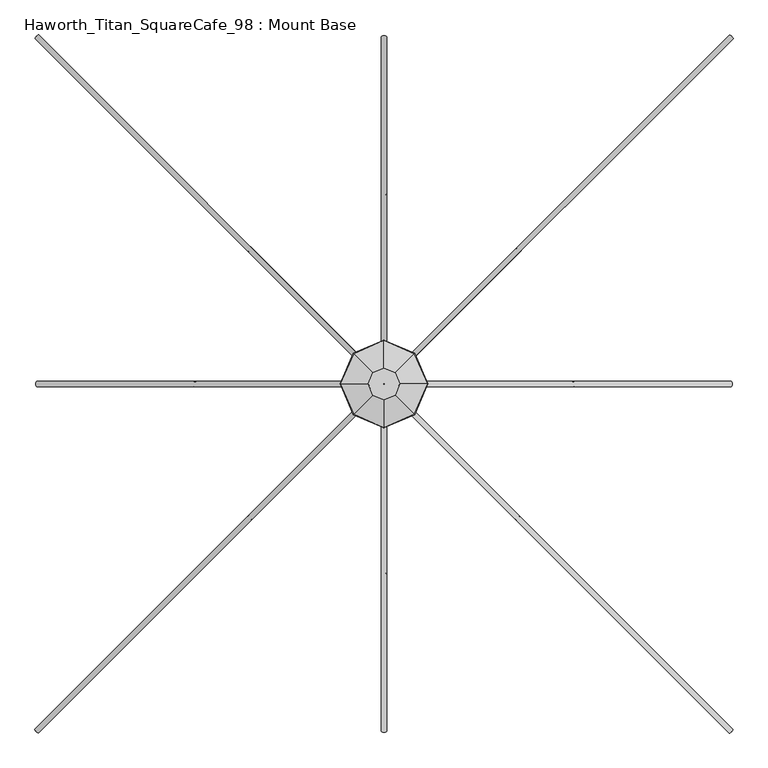
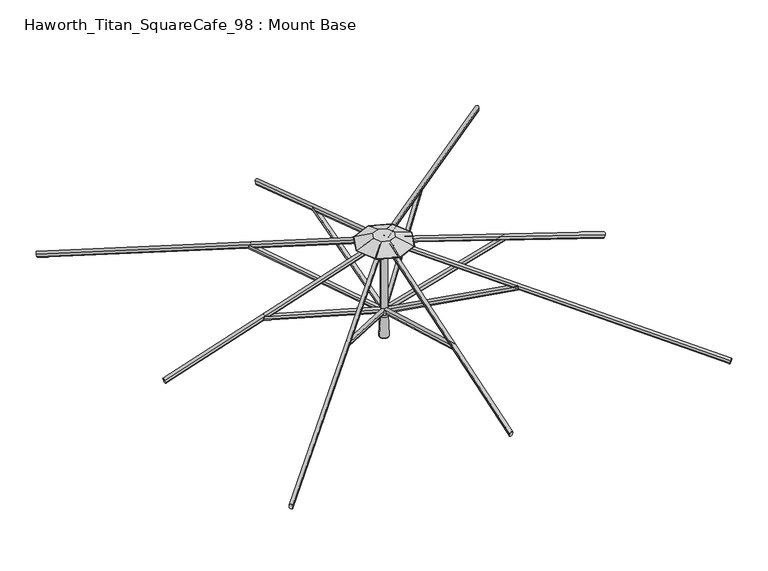
"""IFC4 building model written with IfcOpenShell, lengths in millimetres: furniture geometry, Haworth_Titan_SquareCafe_98 : Mount Base."""

from ifc_helpers import new_model, si_unit, point, frame, frame_2d, origin, place, context, project, spatial, polyline, circle_curve, ellipse_curve, trimmed, segment, composite_curve, outline, extrude, source, transform, mapped, element, save
from ifc_brep_helpers import plane_surface, cylinder_surface, revolved_surface, advanced_brep


def haworth_titan_squarecafe_98_mount_base_0a665b4c(model_context):
    return source(origin(), model_context, "Body", "SolidModel", [
        extrude(outline(composite_curve([segment(polyline([(12.9834408, -8.4804821), (12.9834408, -22.8946349)]), True, "CONTINUOUS"), segment(trimmed(circle_curve(frame_2d((4.0299408, -22.8946349)), 8.9535), [point((12.9834408, -22.8946349))], [point((-4.9235592, -22.8946349))], False, "CARTESIAN"), True, "CONTINUOUS"), segment(polyline([(-4.9235592, -22.8946349), (-4.9235592, -8.4804821)]), True, "CONTINUOUS"), segment(trimmed(circle_curve(frame_2d((4.0299408, -8.4804821)), 8.9535), [point((-4.9235592, -8.4804821))], [point((12.9834408, -8.4804821))], False, "CARTESIAN"), True, "CONTINUOUS")], self_intersect=False)), frame((4.0299408, -32.8443862, 2016.9430412), z_axis=(0.0, -0.9618942046764378, 0.2734219066020191), x_axis=(-1.0, 0.0, 0.0)), (0.0, 0.0, 1.0), 673.1),
        extrude(outline(composite_curve([segment(polyline([(12.9834408, -8.4804821), (12.9834408, -22.8946349)]), True, "CONTINUOUS"), segment(trimmed(circle_curve(frame_2d((4.0299408, -22.8946349)), 8.9535), [point((12.9834408, -22.8946349))], [point((-4.9235592, -22.8946349))], False, "CARTESIAN"), True, "CONTINUOUS"), segment(polyline([(-4.9235592, -22.8946349), (-4.9235592, -8.4804821)]), True, "CONTINUOUS"), segment(trimmed(circle_curve(frame_2d((4.0299408, -8.4804821)), 8.9535), [point((-4.9235592, -8.4804821))], [point((12.9834408, -8.4804821))], False, "CARTESIAN"), True, "CONTINUOUS")], self_intersect=False)), frame((-28.8144454, -8.0598816, 2016.9430412), z_axis=(-0.9618942046764378, 0.0, 0.2734219066020191), x_axis=(0.0, 1.0, 0.0)), (0.0, 0.0, 1.0), 673.1),
        extrude(outline(composite_curve([segment(polyline([(12.9834408, -8.4804821), (12.9834408, -22.8946349)]), True, "CONTINUOUS"), segment(trimmed(circle_curve(frame_2d((4.0299408, -22.8946349)), 8.9535), [point((12.9834408, -22.8946349))], [point((-4.9235592, -22.8946349))], False, "CARTESIAN"), True, "CONTINUOUS"), segment(polyline([(-4.9235592, -22.8946349), (-4.9235592, -8.4804821)]), True, "CONTINUOUS"), segment(trimmed(circle_curve(frame_2d((4.0299408, -8.4804821)), 8.9535), [point((-4.9235592, -8.4804821))], [point((12.9834408, -8.4804821))], False, "CARTESIAN"), True, "CONTINUOUS")], self_intersect=False)), frame((-4.0299408, 24.7845046, 2016.9430412), z_axis=(0.0, 0.9618942046764378, 0.2734219066020191), x_axis=(1.0, 0.0, 0.0)), (0.0, 0.0, 1.0), 673.1),
        extrude(outline(composite_curve([segment(trimmed(circle_curve(frame_2d((4.0299408, 7.3267917)), 8.9535), [point((12.9834408, 7.3267917))], [point((-4.9235592, 7.3267917))], False, "CARTESIAN"), True, "CONTINUOUS"), segment(polyline([(-4.9235592, 7.3267917), (-4.9235592, 21.7411303)]), True, "CONTINUOUS"), segment(trimmed(circle_curve(frame_2d((4.0299408, 21.7411303)), 8.9535), [point((-4.9235592, 21.7411303))], [point((12.9834408, 21.7411303))], False, "CARTESIAN"), True, "CONTINUOUS"), segment(polyline([(12.9834408, 21.7411303), (12.9834408, 7.3267917)]), True, "CONTINUOUS")], self_intersect=False)), frame((4.0299408, -1221.9652781, 2021.9166491), z_axis=(0.0, 0.9498609859621477, 0.31267252413190505), x_axis=(-1.0, 0.0, 0.0)), (0.0, 0.0, 1.0), 1244.6),
        extrude(outline(composite_curve([segment(trimmed(circle_curve(frame_2d((4.0299408, 7.3267917)), 8.9535), [point((12.9834408, 7.3267917))], [point((-4.9235592, 7.3267917))], False, "CARTESIAN"), True, "CONTINUOUS"), segment(polyline([(-4.9235592, 7.3267917), (-4.9235592, 21.7411303)]), True, "CONTINUOUS"), segment(trimmed(circle_curve(frame_2d((4.0299408, 21.7411303)), 8.9535), [point((-4.9235592, 21.7411303))], [point((12.9834408, 21.7411303))], False, "CARTESIAN"), True, "CONTINUOUS"), segment(polyline([(12.9834408, 21.7411303), (12.9834408, 7.3267917)]), True, "CONTINUOUS")], self_intersect=False)), frame((-1217.9353374, -8.0598816, 2021.9166491), z_axis=(0.9498609859621477, 0.0, 0.31267252413190505), x_axis=(0.0, 1.0, 0.0)), (0.0, 0.0, 1.0), 1244.6),
        extrude(outline(composite_curve([segment(trimmed(circle_curve(frame_2d((4.0299408, 7.3267917)), 8.9535), [point((12.9834408, 7.3267917))], [point((-4.9235592, 7.3267917))], False, "CARTESIAN"), True, "CONTINUOUS"), segment(polyline([(-4.9235592, 7.3267917), (-4.9235592, 21.7411303)]), True, "CONTINUOUS"), segment(trimmed(circle_curve(frame_2d((4.0299408, 21.7411303)), 8.9535), [point((-4.9235592, 21.7411303))], [point((12.9834408, 21.7411303))], False, "CARTESIAN"), True, "CONTINUOUS"), segment(polyline([(12.9834408, 21.7411303), (12.9834408, 7.3267917)]), True, "CONTINUOUS")], self_intersect=False)), frame((-4.0299408, 1213.9053966, 2021.9166491), z_axis=(0.0, -0.9498609859621477, 0.31267252413190505), x_axis=(1.0, 0.0, 0.0)), (0.0, 0.0, 1.0), 1244.6),
        extrude(outline(composite_curve([segment(trimmed(circle_curve(frame_2d((4.0299408, 7.3267917)), 8.9535), [point((12.9834408, 7.3267917))], [point((-4.9235592, 7.3267917))], False, "CARTESIAN"), True, "CONTINUOUS"), segment(polyline([(-4.9235592, 7.3267917), (-4.9235592, 21.7411303)]), True, "CONTINUOUS"), segment(trimmed(circle_curve(frame_2d((4.0299408, 21.7411303)), 8.9535), [point((-4.9235592, 21.7411303))], [point((12.9834408, 21.7411303))], False, "CARTESIAN"), True, "CONTINUOUS"), segment(polyline([(12.9834408, 21.7411303), (12.9834408, 7.3267917)]), True, "CONTINUOUS")], self_intersect=False)), frame((1217.9353374, 0.0, 2021.9166491), z_axis=(-0.9498609859621477, 0.0, 0.31267252413190505), x_axis=(0.0, -1.0, 0.0)), (0.0, 0.0, 1.0), 1244.6),
        extrude(outline(composite_curve([segment(polyline([(12.9834408, -8.4804821), (12.9834408, -22.8946349)]), True, "CONTINUOUS"), segment(trimmed(circle_curve(frame_2d((4.0299408, -22.8946349)), 8.9535), [point((12.9834408, -22.8946349))], [point((-4.9235592, -22.8946349))], False, "CARTESIAN"), True, "CONTINUOUS"), segment(polyline([(-4.9235592, -22.8946349), (-4.9235592, -8.4804821)]), True, "CONTINUOUS"), segment(trimmed(circle_curve(frame_2d((4.0299408, -8.4804821)), 8.9535), [point((-4.9235592, -8.4804821))], [point((12.9834408, -8.4804821))], False, "CARTESIAN"), True, "CONTINUOUS")], self_intersect=False)), frame((28.8144454, 0.0, 2016.9430412), z_axis=(0.9618942046764378, 0.0, 0.2734219066020191), x_axis=(0.0, -1.0, 0.0)), (0.0, 0.0, 1.0), 673.1),
        advanced_brep(
        [(26.8238842, -18.7890573, 2024.6742307), (14.1664667, -31.4400989, 2024.6776585), (10.6100443, -27.8783613, 2037.6792269), (23.2062525, -15.1701391, 2037.892041), (483.1587726, -475.2862213, 2274.5550651), (479.5450968, -471.6671448, 2287.7659402), (466.9449327, -484.3755253, 2287.5600613), (470.5013551, -487.9372629, 2274.5584929)],
        [
            (0, 1, circle_curve(frame((20.4951755, -25.1145781, 2024.6759446), z_axis=(-0.6593005683444475, 0.6595350198722701, -0.3610212156408164), x_axis=(0.25523516406405533, -0.2553259273320428, -0.9325576024338803)), 8.947892)),
            (1, 2),
            (2, 3, circle_curve(frame((16.8784819, -21.4965984, 2037.8903271), z_axis=(-0.6593005683444475, 0.6595350198722701, -0.3610212156408164), x_axis=(0.25523516406405533, -0.2553259273320428, -0.9325576024338803)), 8.947892)),
            (3, 0),
            (4, 5),
            (5, 6, circle_curve(frame((473.2133703, -477.9937624, 2287.7711615), z_axis=(0.6593005683444475, -0.6595350198722701, 0.3610212156408164), x_axis=(0.25523516406405533, -0.2553259273320428, -0.9325576024338803)), 8.947892)),
            (6, 7),
            (7, 4, circle_curve(frame((476.8300639, -481.6117421, 2274.556779), z_axis=(0.6593005683444475, -0.6595350198722701, 0.3610212156408164), x_axis=(0.25523516406405533, -0.2553259273320428, -0.9325576024338803)), 8.947892)),
            (0, 4),
            (7, 1),
            (6, 2),
            (5, 3),
        ],
        [
            plane_surface(frame((23.1348629, -27.1730305, 2016.0948177), z_axis=(-0.6593005683444475, 0.6595350198722701, -0.36102121564081635), x_axis=(0.7072324735232987, 0.7069810665032811, 0.0))),
            plane_surface(frame((479.4697512, -483.6701945, 2265.9756521), z_axis=(0.6593005683444475, -0.6595350198722701, 0.36102121564081635), x_axis=(0.7072324735232987, 0.7069810665032811, 0.0))),
            cylinder_surface(frame((20.4951755, -25.1145781, 2024.6759446), z_axis=(-0.6593005683444474, 0.65953501987227, -0.36102121564081635), x_axis=(0.25523516406405533, -0.2553259273320428, -0.9325576024338803)), 8.947892),
            plane_surface(frame((14.1664667, -31.4400989, 2024.6776585), z_axis=(-0.7072848833533947, -0.7069286081989967, 0.0001915453068458972), x_axis=(0.6593005683444475, -0.6595350198722703, 0.36102121564081635))),
            cylinder_surface(frame((16.8784819, -21.4965984, 2037.8903271), z_axis=(-0.6593005683444474, 0.65953501987227, -0.36102121564081635), x_axis=(0.25523516406405533, -0.2553259273320428, -0.9325576024338803)), 8.947892),
            plane_surface(frame((23.2102084, -15.1699808, 2037.8851058), z_axis=(0.7072848833533956, 0.7069286081989957, -0.00019154530684939441), x_axis=(0.6593005683444475, -0.6595350198722701, 0.36102121564081635))),
        ],
        [
            (0, [[1, 2, 3, 4]]),
            (1, [[5, 6, 7, 8]]),
            (2, [[-1, 9, -8, 10]]),
            (3, [[-2, -10, -7, 11]]),
            (4, [[-3, -11, -6, 12]]),
            (5, [[-4, -12, -5, -9]]),
        ],
    ),
        advanced_brep(
        [(-14.7591165, -30.853825, 2024.6742307), (-27.4101582, -18.1964075, 2024.6776585), (-23.8484205, -14.6399851, 2037.6792269), (-11.1401983, -27.2361932, 2037.892041), (-471.2562805, -487.1887134, 2274.5550651), (-467.637204, -483.5750376, 2287.7659402), (-480.3455845, -470.9748735, 2287.5600613), (-483.9073222, -474.5312959, 2274.5584929)],
        [
            (0, 1, circle_curve(frame((-21.0846373, -24.5251163, 2024.6759446), z_axis=(0.6595350198722778, 0.6593005683444398, -0.3610212156408163), x_axis=(-0.2553259273320458, -0.2552351640640522, -0.9325576024338804)), 8.947892)),
            (1, 2),
            (2, 3, circle_curve(frame((-17.4666577, -20.9084227, 2037.8903271), z_axis=(0.6595350198722778, 0.6593005683444398, -0.3610212156408163), x_axis=(-0.2553259273320458, -0.2552351640640522, -0.9325576024338804)), 8.947892)),
            (3, 0),
            (4, 5),
            (5, 6, circle_curve(frame((-473.9638217, -477.2433111, 2287.7711615), z_axis=(-0.6595350198722778, -0.6593005683444398, 0.3610212156408163), x_axis=(-0.2553259273320458, -0.2552351640640522, -0.9325576024338804)), 8.947892)),
            (6, 7),
            (7, 4, circle_curve(frame((-477.5818013, -480.8600046, 2274.556779), z_axis=(-0.6595350198722778, -0.6593005683444398, 0.3610212156408163), x_axis=(-0.2553259273320458, -0.2552351640640522, -0.9325576024338804)), 8.947892)),
            (0, 4),
            (7, 1),
            (6, 2),
            (5, 3),
        ],
        [
            plane_surface(frame((-23.1430898, -27.1648036, 2016.0948177), z_axis=(0.6595350198722779, 0.65930056834444, -0.36102121564081635), x_axis=(0.7069810665032729, -0.7072324735233069, 0.0))),
            plane_surface(frame((-479.6402538, -483.499692, 2265.9756521), z_axis=(-0.6595350198722779, -0.65930056834444, 0.36102121564081635), x_axis=(0.7069810665032729, -0.7072324735233069, 0.0))),
            cylinder_surface(frame((-21.0846373, -24.5251163, 2024.6759446), z_axis=(0.6595350198722779, 0.65930056834444, -0.36102121564081635), x_axis=(-0.2553259273320458, -0.2552351640640522, -0.9325576024338804)), 8.947892),
            plane_surface(frame((-27.4101582, -18.1964075, 2024.6776585), z_axis=(-0.7069286081989883, 0.7072848833534031, 0.0001915453068458972), x_axis=(-0.659535019872278, -0.6593005683444396, 0.3610212156408163))),
            cylinder_surface(frame((-17.4666577, -20.9084227, 2037.8903271), z_axis=(0.6595350198722779, 0.65930056834444, -0.36102121564081635), x_axis=(-0.2553259273320458, -0.2552351640640522, -0.9325576024338804)), 8.947892),
            plane_surface(frame((-11.14004, -27.2401492, 2037.8851058), z_axis=(0.7069286081989873, -0.7072848833534039, -0.00019154530684947768), x_axis=(-0.6595350198722779, -0.6593005683444397, 0.36102121564081635))),
        ],
        [
            (0, [[1, 2, 3, 4]]),
            (1, [[5, 6, 7, 8]]),
            (2, [[-1, 9, -8, 10]]),
            (3, [[-2, -10, -7, 11]]),
            (4, [[-3, -11, -6, 12]]),
            (5, [[-4, -12, -5, -9]]),
        ],
    ),
        advanced_brep(
        [(-26.8238842, 10.7291757, 2024.6742307), (-14.1664667, 23.3802174, 2024.6776585), (-10.6100443, 19.8184798, 2037.6792269), (-23.2062525, 7.1102575, 2037.892041), (-483.1587726, 467.2263397, 2274.5550651), (-479.5450968, 463.6072632, 2287.7659402), (-466.9449327, 476.3156438, 2287.5600613), (-470.5013551, 479.8773814, 2274.5584929)],
        [
            (0, 1, circle_curve(frame((-20.4951755, 17.0546966, 2024.6759446), z_axis=(0.6593005683444452, -0.6595350198722726, -0.36102121564081635), x_axis=(-0.25523516406405433, 0.2553259273320437, -0.9325576024338804)), 8.947892)),
            (1, 2),
            (2, 3, circle_curve(frame((-16.8784819, 13.4367169, 2037.8903271), z_axis=(0.6593005683444452, -0.6595350198722726, -0.36102121564081635), x_axis=(-0.25523516406405433, 0.2553259273320437, -0.9325576024338804)), 8.947892)),
            (3, 0),
            (4, 5),
            (5, 6, circle_curve(frame((-473.2133703, 469.9338809, 2287.7711615), z_axis=(-0.6593005683444452, 0.6595350198722726, 0.36102121564081635), x_axis=(-0.25523516406405433, 0.2553259273320437, -0.9325576024338804)), 8.947892)),
            (6, 7),
            (7, 4, circle_curve(frame((-476.8300639, 473.5518606, 2274.556779), z_axis=(-0.6593005683444452, 0.6595350198722726, 0.36102121564081635), x_axis=(-0.25523516406405433, 0.2553259273320437, -0.9325576024338804)), 8.947892)),
            (0, 4),
            (7, 1),
            (6, 2),
            (5, 3),
        ],
        [
            plane_surface(frame((-23.1348629, 19.113149, 2016.0948177), z_axis=(0.6593005683444451, -0.6595350198722725, -0.3610212156408163), x_axis=(-0.7072324735233012, -0.7069810665032785, 0.0))),
            plane_surface(frame((-479.4697512, 475.610313, 2265.9756521), z_axis=(-0.6593005683444451, 0.6595350198722725, 0.3610212156408163), x_axis=(-0.7072324735233012, -0.7069810665032785, 0.0))),
            cylinder_surface(frame((-20.4951755, 17.0546966, 2024.6759446), z_axis=(0.6593005683444452, -0.6595350198722726, -0.36102121564081635), x_axis=(-0.25523516406405433, 0.2553259273320437, -0.9325576024338804)), 8.947892),
            plane_surface(frame((-14.1664667, 23.3802174, 2024.6776585), z_axis=(0.7072848833533973, 0.7069286081989941, 0.00019154530684586946), x_axis=(-0.6593005683444451, 0.6595350198722726, 0.36102121564081635))),
            cylinder_surface(frame((-16.8784819, 13.4367169, 2037.8903271), z_axis=(0.6593005683444452, -0.6595350198722726, -0.36102121564081635), x_axis=(-0.25523516406405433, 0.2553259273320437, -0.9325576024338804)), 8.947892),
            plane_surface(frame((-23.2102084, 7.1100992, 2037.8851058), z_axis=(-0.7072848833533983, -0.7069286081989931, -0.00019154530684931115), x_axis=(-0.6593005683444451, 0.6595350198722727, 0.36102121564081635))),
        ],
        [
            (0, [[1, 2, 3, 4]]),
            (1, [[5, 6, 7, 8]]),
            (2, [[-1, 9, -8, 10]]),
            (3, [[-2, -10, -7, 11]]),
            (4, [[-3, -11, -6, 12]]),
            (5, [[-4, -12, -5, -9]]),
        ],
    ),
        advanced_brep(
        [(14.7591165, 22.7939434, 2024.6742307), (27.4101582, 10.136526, 2024.6776585), (23.8484205, 6.5801035, 2037.6792269), (11.1401983, 19.1763117, 2037.892041), (471.2562805, 479.1288318, 2274.5550651), (467.637204, 475.515156, 2287.7659402), (480.3455845, 462.9149919, 2287.5600613), (483.9073222, 466.4714143, 2274.5584929)],
        [
            (0, 1, circle_curve(frame((21.0846373, 16.4652347, 2024.6759446), z_axis=(-0.6595350198722671, -0.6593005683444505, -0.3610212156408163), x_axis=(0.2553259273320415, 0.2552351640640565, -0.9325576024338803)), 8.947892)),
            (1, 2),
            (2, 3, circle_curve(frame((17.4666577, 12.8485411, 2037.8903271), z_axis=(-0.6595350198722671, -0.6593005683444505, -0.3610212156408163), x_axis=(0.2553259273320415, 0.2552351640640565, -0.9325576024338803)), 8.947892)),
            (3, 0),
            (4, 5),
            (5, 6, circle_curve(frame((473.9638217, 469.1834295, 2287.7711615), z_axis=(0.6595350198722671, 0.6593005683444505, 0.3610212156408163), x_axis=(0.2553259273320415, 0.2552351640640565, -0.9325576024338803)), 8.947892)),
            (6, 7),
            (7, 4, circle_curve(frame((477.5818013, 472.8001231, 2274.556779), z_axis=(0.6595350198722671, 0.6593005683444505, 0.3610212156408163), x_axis=(0.2553259273320415, 0.2552351640640565, -0.9325576024338803)), 8.947892)),
            (0, 4),
            (7, 1),
            (6, 2),
            (5, 3),
        ],
        [
            plane_surface(frame((23.1430898, 19.1049221, 2016.0948177), z_axis=(-0.6595350198722671, -0.6593005683444505, -0.36102121564081635), x_axis=(-0.7069810665032843, 0.7072324735232954, 0.0))),
            plane_surface(frame((479.6402538, 475.4398105, 2265.9756521), z_axis=(0.6595350198722671, 0.6593005683444505, 0.36102121564081635), x_axis=(-0.7069810665032843, 0.7072324735232954, 0.0))),
            cylinder_surface(frame((21.0846373, 16.4652347, 2024.6759446), z_axis=(-0.659535019872267, -0.6593005683444504, -0.36102121564081624), x_axis=(0.2553259273320415, 0.2552351640640565, -0.9325576024338803)), 8.947892),
            plane_surface(frame((27.4101582, 10.136526, 2024.6776585), z_axis=(0.7069286081989999, -0.7072848833533916, 0.0001915453068457862), x_axis=(0.6595350198722673, 0.6593005683444505, 0.36102121564081635))),
            cylinder_surface(frame((17.4666577, 12.8485411, 2037.8903271), z_axis=(-0.659535019872267, -0.6593005683444504, -0.36102121564081624), x_axis=(0.2553259273320415, 0.2552351640640565, -0.9325576024338803)), 8.947892),
            plane_surface(frame((11.14004, 19.1802676, 2037.8851058), z_axis=(-0.7069286081989989, 0.7072848833533925, -0.00019154530684925564), x_axis=(0.6595350198722673, 0.6593005683444505, 0.36102121564081635))),
        ],
        [
            (0, [[1, 2, 3, 4]]),
            (1, [[5, 6, 7, 8]]),
            (2, [[-1, 9, -8, 10]]),
            (3, [[-2, -10, -7, 11]]),
            (4, [[-3, -11, -6, 12]]),
            (5, [[-4, -12, -5, -9]]),
        ],
    ),
        extrude(outline(composite_curve([segment(trimmed(circle_curve(frame_2d((0.0454337, -8.9661607)), 8.9535016), [point((-8.9080678, -8.9644052))], [point((8.9989351, -8.9679161))], False, "CARTESIAN"), True, "CONTINUOUS"), segment(polyline([(8.9989351, -8.9679161), (8.9961217, -23.3170803)]), True, "CONTINUOUS"), segment(trimmed(circle_curve(frame_2d((0.0426203, -23.3153248)), 8.9535016), [point((8.9961217, -23.3170803))], [point((-8.9108812, -23.3135694))], False, "CARTESIAN"), True, "CONTINUOUS"), segment(polyline([(-8.9108812, -23.3135694), (-8.9080678, -8.9644052)]), True, "CONTINUOUS")], self_intersect=False)), frame((1220.3085686, -1224.7212783, 2021.6466591), z_axis=(-0.6887167764887021, 0.688716776488744, 0.22657979514061907), x_axis=(0.707106781186569, 0.707106781186526, 0.0)), (0.0, 0.0, 1.0), 1727.2206122),
        extrude(outline(composite_curve([segment(trimmed(circle_curve(frame_2d((0.0454337, -8.9661607)), 8.9535016), [point((-8.9080678, -8.9644052))], [point((8.9989351, -8.9679161))], False, "CARTESIAN"), True, "CONTINUOUS"), segment(polyline([(8.9989351, -8.9679161), (8.9961218, -23.3170803)]), True, "CONTINUOUS"), segment(trimmed(circle_curve(frame_2d((0.0426203, -23.3153248)), 8.9535016), [point((8.9961218, -23.3170803))], [point((-8.9108812, -23.3135694))], False, "CARTESIAN"), True, "CONTINUOUS"), segment(polyline([(-8.9108812, -23.3135694), (-8.9080678, -8.9644052)]), True, "CONTINUOUS")], self_intersect=False)), frame((-1220.6913375, -1224.3385093, 2021.6466591), z_axis=(0.688716776488752, 0.6887167764886939, 0.2265797951406192), x_axis=(0.7071067811865177, -0.7071067811865773, 0.0)), (0.0, 0.0, 1.0), 1727.2206122),
        extrude(outline(composite_curve([segment(trimmed(circle_curve(frame_2d((0.0454336, -8.9661607)), 8.9535016), [point((-8.9080679, -8.9644052))], [point((8.9989351, -8.9679161))], False, "CARTESIAN"), True, "CONTINUOUS"), segment(polyline([(8.9989351, -8.9679161), (8.9961217, -23.3170803)]), True, "CONTINUOUS"), segment(trimmed(circle_curve(frame_2d((0.0426202, -23.3153248)), 8.9535016), [point((8.9961217, -23.3170803))], [point((-8.9108812, -23.3135694))], False, "CARTESIAN"), True, "CONTINUOUS"), segment(polyline([(-8.9108812, -23.3135694), (-8.9080679, -8.9644052)]), True, "CONTINUOUS")], self_intersect=False)), frame((-1220.3085686, 1216.6613967, 2021.6466591), z_axis=(0.6887167764886996, -0.6887167764887464, 0.22657979514061913), x_axis=(-0.7071067811865716, -0.7071067811865235, 0.0)), (0.0, 0.0, 1.0), 1727.2206122),
        extrude(outline(composite_curve([segment(trimmed(circle_curve(frame_2d((0.0454337, -8.9661607)), 8.9535016), [point((-8.9080678, -8.9644052))], [point((8.9989351, -8.9679161))], False, "CARTESIAN"), True, "CONTINUOUS"), segment(polyline([(8.9989351, -8.9679161), (8.9961217, -23.3170803)]), True, "CONTINUOUS"), segment(trimmed(circle_curve(frame_2d((0.0426203, -23.3153248)), 8.9535016), [point((8.9961217, -23.3170803))], [point((-8.9108812, -23.3135694))], False, "CARTESIAN"), True, "CONTINUOUS"), segment(polyline([(-8.9108812, -23.3135694), (-8.9080678, -8.9644052)]), True, "CONTINUOUS")], self_intersect=False)), frame((1220.6913375, 1216.2786278, 2021.6466591), z_axis=(-0.6887167764887406, -0.6887167764887053, 0.22657979514061916), x_axis=(-0.7071067811865294, 0.7071067811865657, 0.0)), (0.0, 0.0, 1.0), 1727.2206122),
        advanced_brep(
        [(-19.05, -4.0299408, 2413.8101034), (19.05, -4.0299408, 2413.8101034), (19.05, -4.0299408, 2037.8474413), (-19.05, -4.0299408, 2037.8474413), (0.0, -4.0299408, 2413.8101034), (0.0, -4.0299408, 2037.8474413)],
        [
            (0, 1, circle_curve(frame((0.0, -4.0299408, 2413.8101034), z_axis=(0.0, 0.0, -1.0), x_axis=(1.0, 0.0, 0.0)), 19.05)),
            (1, 2),
            (2, 3, circle_curve(frame((0.0, -4.0299408, 2037.8474413), z_axis=(0.0, 0.0, 1.0), x_axis=(1.0, 0.0, 0.0)), 19.05)),
            (3, 0),
            (1, 0, circle_curve(frame((0.0, -4.0299408, 2413.8101034), z_axis=(0.0, 0.0, -1.0), x_axis=(1.0, 0.0, 0.0)), 19.05)),
            (3, 2, circle_curve(frame((0.0, -4.0299408, 2037.8474413), z_axis=(0.0, 0.0, 1.0), x_axis=(1.0, 0.0, 0.0)), 19.05)),
            (4, 1),
            (0, 4),
            (2, 5),
            (5, 3),
        ],
        [
            cylinder_surface(frame((0.0, -4.0299408, 2414.0159748), z_axis=(0.0, 0.0, 1.0), x_axis=(1.0, 0.0, 0.0)), 19.05),
            plane_surface(frame((0.0, -4.0299408, 2413.8101034), z_axis=(0.0, 0.0, 1.0), x_axis=(1.0, 0.0, 0.0))),
            plane_surface(frame((0.0, -4.0299408, 2037.8474413), z_axis=(0.0, 0.0, -1.0), x_axis=(1.0, 0.0, 0.0))),
        ],
        [
            (0, [[1, 2, 3, 4]]),
            (0, [[5, -4, 6, -2]]),
            (1, [[7, -1, 8]]),
            (1, [[-8, -5, -7]]),
            (2, [[-3, 9, 10]]),
            (2, [[-6, -10, -9]]),
        ],
    ),
        advanced_brep(
        [(-24.3041832, -4.0299408, 1872.9627429), (24.3041832, -4.0299408, 1872.9627429), (0.0, -4.0299408, 1872.9627429), (-25.317844, -4.0299408, 1873.9764037), (25.317844, -4.0299408, 1873.9764037), (-20.5098559, -4.0299408, 1995.8898279), (20.5098559, -4.0299408, 1995.8898279), (-23.0187508, -4.0299408, 1995.8898279), (23.0187508, -4.0299408, 1995.8898279), (-30.4482505, -4.0299408, 2013.6380178), (30.4482505, -4.0299408, 2013.6380178), (-30.4482505, -4.0299408, 2039.0380663), (30.4482505, -4.0299408, 2039.0380663), (0.0, -4.0299408, 2039.0380663)],
        [
            (0, 1, circle_curve(frame((0.0, -4.0299408, 1872.9627429), z_axis=(0.0, 0.0, -1.0), x_axis=(1.0, 0.0, 0.0)), 24.3041832)),
            (1, 2),
            (2, 0),
            (1, 0, circle_curve(frame((0.0, -4.0299408, 1872.9627429), z_axis=(0.0, 0.0, -1.0), x_axis=(1.0, 0.0, 0.0)), 24.3041832)),
            (3, 4, circle_curve(frame((0.0, -4.0299408, 1873.9764037), z_axis=(0.0, 0.0, -1.0), x_axis=(1.0, 0.0, 0.0)), 25.317844)),
            (4, 1),
            (0, 3),
            (4, 3, circle_curve(frame((0.0, -4.0299408, 1873.9764037), z_axis=(0.0, 0.0, -1.0), x_axis=(1.0, 0.0, 0.0)), 25.317844)),
            (5, 6, circle_curve(frame((0.0, -4.0299408, 1995.8898279), z_axis=(0.0, 0.0, -1.0), x_axis=(1.0, 0.0, 0.0)), 20.5098559)),
            (6, 4),
            (3, 5),
            (6, 5, circle_curve(frame((0.0, -4.0299408, 1995.8898279), z_axis=(0.0, 0.0, -1.0), x_axis=(1.0, 0.0, 0.0)), 20.5098559)),
            (7, 8, circle_curve(frame((0.0, -4.0299408, 1995.8898279), z_axis=(0.0, 0.0, -1.0), x_axis=(1.0, 0.0, 0.0)), 23.0187508)),
            (8, 6),
            (5, 7),
            (8, 7, circle_curve(frame((0.0, -4.0299408, 1995.8898279), z_axis=(0.0, 0.0, -1.0), x_axis=(1.0, 0.0, 0.0)), 23.0187508)),
            (9, 10, circle_curve(frame((0.0, -4.0299408, 2013.6380178), z_axis=(0.0, 0.0, -1.0), x_axis=(1.0, 0.0, 0.0)), 30.4482505)),
            (10, 8, circle_curve(frame((15.3691688, -4.0299408, 2009.521101), z_axis=(0.0, 1.0, 0.0), x_axis=(1.0, 0.0, 0.0)), 15.6309856)),
            (7, 9, circle_curve(frame((-15.3691688, -4.0299408, 2009.521101), z_axis=(0.0, 1.0, 0.0), x_axis=(-1.0, 0.0, 0.0)), 15.6309856)),
            (10, 9, circle_curve(frame((0.0, -4.0299408, 2013.6380178), z_axis=(0.0, 0.0, -1.0), x_axis=(1.0, 0.0, 0.0)), 30.4482505)),
            (11, 12, circle_curve(frame((0.0, -4.0299408, 2039.0380663), z_axis=(0.0, 0.0, -1.0), x_axis=(1.0, 0.0, 0.0)), 30.4482505)),
            (12, 10, circle_curve(frame((24.5799245, -4.0299408, 2026.338042), z_axis=(0.0, 1.0, 0.0), x_axis=(1.0, 0.0, 0.0)), 13.9902775)),
            (9, 11, circle_curve(frame((-24.5799245, -4.0299408, 2026.338042), z_axis=(0.0, 1.0, 0.0), x_axis=(-1.0, 0.0, 0.0)), 13.9902775)),
            (12, 11, circle_curve(frame((0.0, -4.0299408, 2039.0380663), z_axis=(0.0, 0.0, -1.0), x_axis=(1.0, 0.0, 0.0)), 30.4482505)),
            (13, 12),
            (11, 13),
        ],
        [
            plane_surface(frame((0.0, -4.0299408, 1872.9627429), z_axis=(0.0, 0.0, -1.0), x_axis=(1.0, 0.0, 0.0))),
            revolved_surface(polyline([(24.3041832, -4.0299408, 1872.9627429), (25.317844, -4.0299408, 1873.9764037)]), (0.0, -4.0299408, 2210.5193844), (0.0, 0.0, 1.0)),
            revolved_surface(polyline([(25.317844, -4.0299408, 1873.9764037), (20.5098559, -4.0299408, 1995.8898279)]), (0.0, -4.0299408, 2210.5193844), (0.0, 0.0, 1.0)),
            plane_surface(frame((0.0, -4.0299408, 1995.8898279), z_axis=(0.0, 0.0, -1.0), x_axis=(1.0, 0.0, 0.0))),
            revolved_surface(trimmed(ellipse_curve(frame((15.3691688, -4.0299408, 2009.521101), z_axis=(0.0, -1.0, 0.0), x_axis=(1.0, 0.0, 0.0)), 15.6309856, 15.6309856), [point((23.0187508, -4.0299408, 1995.8898279))], [point((30.4482505, -4.0299408, 2013.6380178))], True, "CARTESIAN"), (0.0, -4.0299408, 2210.5193844), (0.0, 0.0, 1.0)),
            revolved_surface(trimmed(ellipse_curve(frame((24.5799245, -4.0299408, 2026.338042), z_axis=(0.0, -1.0, 0.0), x_axis=(1.0, 0.0, 0.0)), 13.9902775, 13.9902775), [point((30.4482505, -4.0299408, 2013.6380178))], [point((30.4482505, -4.0299408, 2039.0380663))], True, "CARTESIAN"), (0.0, -4.0299408, 2210.5193844), (0.0, 0.0, 1.0)),
            plane_surface(frame((0.0, -4.0299408, 2039.0380663), z_axis=(0.0, 0.0, 1.0), x_axis=(1.0, 0.0, 0.0))),
        ],
        [
            (0, [[1, 2, 3]]),
            (0, [[4, -3, -2]]),
            (1, [[5, 6, -1, 7]]),
            (1, [[8, -7, -4, -6]]),
            (2, [[9, 10, -5, 11]]),
            (2, [[12, -11, -8, -10]]),
            (3, [[13, 14, -9, 15]]),
            (3, [[16, -15, -12, -14]]),
            (4, [[17, 18, -13, 19]]),
            (4, [[20, -19, -16, -18]]),
            (5, [[21, 22, -17, 23]]),
            (5, [[24, -23, -20, -22]]),
            (6, [[25, -21, 26]]),
            (6, [[-26, -24, -25]]),
        ],
    ),
        advanced_brep(
        [(-50.6448461, -4.0299408, 2413.0), (50.6448461, -4.0299408, 2413.0), (0.0, -4.0299408, 2413.0), (-50.6448461, -4.0299408, 2438.4), (50.6448461, -4.0299408, 2438.4), (0.0, -4.0299408, 2438.4)],
        [
            (0, 1, circle_curve(frame((0.0, -4.0299408, 2413.0), z_axis=(0.0, 0.0, -1.0), x_axis=(1.0, 0.0, 0.0)), 50.6448461)),
            (1, 2),
            (2, 0),
            (1, 0, circle_curve(frame((0.0, -4.0299408, 2413.0), z_axis=(0.0, 0.0, -1.0), x_axis=(1.0, 0.0, 0.0)), 50.6448461)),
            (3, 4, circle_curve(frame((0.0, -4.0299408, 2438.4), z_axis=(0.0, 0.0, -1.0), x_axis=(1.0, 0.0, 0.0)), 50.6448461)),
            (4, 1, circle_curve(frame((50.6448461, -4.0299408, 2425.7), z_axis=(0.0, 1.0, 0.0), x_axis=(1.0, 0.0, 0.0)), 12.7)),
            (0, 3, circle_curve(frame((-50.6448461, -4.0299408, 2425.7), z_axis=(0.0, 1.0, 0.0), x_axis=(-1.0, 0.0, 0.0)), 12.7)),
            (4, 3, circle_curve(frame((0.0, -4.0299408, 2438.4), z_axis=(0.0, 0.0, -1.0), x_axis=(1.0, 0.0, 0.0)), 50.6448461)),
            (5, 4),
            (3, 5),
        ],
        [
            plane_surface(frame((0.0, -4.0299408, 2413.0), z_axis=(0.0, 0.0, -1.0), x_axis=(1.0, 0.0, 0.0))),
            revolved_surface(trimmed(ellipse_curve(frame((50.6448461, -4.0299408, 2425.7), z_axis=(0.0, -1.0, 0.0), x_axis=(1.0, 0.0, 0.0)), 12.7, 12.7), [point((50.6448461, -4.0299408, 2413.0))], [point((50.6448461, -4.0299408, 2438.4))], True, "CARTESIAN"), (0.0, -4.0299408, 2520.9500484), (0.0, 0.0, 1.0)),
            plane_surface(frame((0.0, -4.0299408, 2438.4), z_axis=(0.0, 0.0, 1.0), x_axis=(1.0, 0.0, 0.0))),
        ],
        [
            (0, [[1, 2, 3]]),
            (0, [[4, -3, -2]]),
            (1, [[5, 6, -1, 7]]),
            (1, [[8, -7, -4, -6]]),
            (2, [[9, -5, 10]]),
            (2, [[-10, -8, -9]]),
        ],
    ),
        advanced_brep(
        [(56.3535131, -4.0299408, 2463.557476), (39.3168705, 35.2869297, 2463.557476), (0.0, 52.3235723, 2463.557476), (-39.3168705, 35.2869297, 2463.557476), (-56.3535131, -4.0299408, 2463.557476), (-39.3168705, -43.3468112, 2463.557476), (0.0, -60.3834539, 2463.557476), (39.3168705, -43.3468112, 2463.557476), (-0.2799193, -3.7500215, 2463.557476), (0.0, -3.6287279, 2463.557476), (0.2799193, -3.7500215, 2463.557476), (0.4012128, -4.0299408, 2463.557476), (0.2799193, -4.30986, 2463.557476), (0.0, -4.4311536, 2463.557476), (-0.2799193, -4.30986, 2463.557476), (-0.4012128, -4.0299408, 2463.557476), (-29.4465472, 25.4166065, 2449.3082423), (0.0, 38.1762767, 2449.3082423), (29.4465472, 25.4166065, 2449.3082423), (42.2062175, -4.0299408, 2449.3082423), (29.4465472, -33.476488, 2449.3082423), (0.0, -46.2361583, 2449.3082423), (-29.4465472, -33.476488, 2449.3082423), (-42.2062175, -4.0299408, 2449.3082423), (0.4012128, -4.0299408, 2449.3082423), (0.2799193, -3.7500215, 2449.3082423), (0.0, -3.6287279, 2449.3082423), (-0.2799193, -3.7500215, 2449.3082423), (-0.4012128, -4.0299408, 2449.3082423), (-0.2799193, -4.30986, 2449.3082423), (0.0, -4.4311536, 2449.3082423), (0.2799193, -4.30986, 2449.3082423), (-106.4243734, 102.3944326, 2423.9664048), (-152.539794, -4.0299408, 2423.9664048), (-107.0854394, 103.0554986, 2426.5969984), (-153.4873108, -4.0299408, 2426.5969984), (-106.4243734, -110.4543142, 2423.9664048), (-107.0854394, -111.1153802, 2426.5969984), (0.0, -156.5697348, 2423.9664048), (0.0, -157.5172515, 2426.5969984), (106.4243734, -110.4543142, 2423.9664048), (107.0854394, -111.1153802, 2426.5969984), (152.539794, -4.0299408, 2423.9664048), (153.4873108, -4.0299408, 2426.5969984), (106.4243734, 102.3944326, 2423.9664048), (107.0854394, 103.0554986, 2426.5969984), (0.0, 148.5098533, 2423.9664048), (0.0, 149.45737, 2426.5969984)],
        [
            (0, 1),
            (1, 2),
            (2, 3),
            (3, 4),
            (4, 5),
            (5, 6),
            (6, 7),
            (7, 0),
            (8, 9),
            (9, 10),
            (10, 11),
            (11, 12),
            (12, 13),
            (13, 14),
            (14, 15),
            (15, 8),
            (16, 17),
            (17, 18),
            (18, 19),
            (19, 20),
            (20, 21),
            (21, 22),
            (22, 23),
            (23, 16),
            (24, 25),
            (25, 26),
            (26, 27),
            (27, 28),
            (28, 29),
            (29, 30),
            (30, 31),
            (31, 24),
            (27, 8),
            (15, 28),
            (14, 29),
            (13, 30),
            (12, 31),
            (11, 24),
            (10, 25),
            (9, 26),
            (32, 16),
            (23, 33),
            (33, 32),
            (34, 32, ellipse_curve(frame((-106.680847, 102.6509063, 2425.3138919), z_axis=(-0.7071067811865479, -0.707106781186547, 0.0), x_axis=(-0.7071067811865467, 0.7071067811865482, 0.0)), 1.4936871, 1.3890625)),
            (33, 35, ellipse_curve(frame((-152.9074019, -4.0299408, 2425.3138919), z_axis=(0.0, 0.9999999999999999, 0.0), x_axis=(1.0, 0.0, 0.0)), 1.5138634, 1.3890625)),
            (35, 34),
            (3, 34),
            (35, 4),
            (22, 36),
            (36, 33),
            (36, 37, ellipse_curve(frame((-106.680847, -110.7107878, 2425.3138919), z_axis=(-0.707106781186547, 0.707106781186548, 0.0), x_axis=(0.7071067811865479, 0.707106781186547, 0.0)), 1.4936871, 1.3890625)),
            (37, 35),
            (37, 5),
            (21, 38),
            (38, 36),
            (38, 39, ellipse_curve(frame((0.0, -156.9373427, 2425.3138919), z_axis=(-0.9999999999999999, 0.0, 0.0), x_axis=(0.0, 1.0, 0.0)), 1.5138634, 1.3890625)),
            (39, 37),
            (39, 6),
            (20, 40),
            (40, 38),
            (40, 41, ellipse_curve(frame((106.680847, -110.7107878, 2425.3138919), z_axis=(-0.707106781186548, -0.707106781186547, 0.0), x_axis=(-0.7071067811865469, 0.7071067811865481, 0.0)), 1.4936871, 1.3890625)),
            (41, 39),
            (41, 7),
            (19, 42),
            (42, 40),
            (42, 43, ellipse_curve(frame((152.9074019, -4.0299408, 2425.3138919), z_axis=(0.0, -1.0, 0.0), x_axis=(-1.0, 0.0, 0.0)), 1.5138634, 1.3890625)),
            (43, 41),
            (43, 0),
            (18, 44),
            (44, 42),
            (44, 45, ellipse_curve(frame((106.680847, 102.6509063, 2425.3138919), z_axis=(0.707106781186547, -0.707106781186548, 0.0), x_axis=(-0.7071067811865478, -0.7071067811865471, 0.0)), 1.4936871, 1.3890625)),
            (45, 43),
            (45, 1),
            (17, 46),
            (46, 44),
            (46, 47, ellipse_curve(frame((0.0, 148.8774612, 2425.3138919), z_axis=(0.9999999999999999, 0.0, 0.0), x_axis=(0.0, -1.0, 0.0)), 1.5138634, 1.3890625)),
            (47, 45),
            (47, 2),
            (32, 46),
            (34, 47),
        ],
        [
            plane_surface(frame((0.0, 52.3235723, 2463.557476), z_axis=(0.0, 0.0, 1.0), x_axis=(-0.9175613115760062, -0.39759431522460087, 0.0))),
            plane_surface(frame((0.0, -3.6287279, 2449.3082423), z_axis=(0.0, 0.0, -1.0000000000000002), x_axis=(-0.9175613115759853, -0.3975943152246493, 0.0))),
            plane_surface(frame((-0.2799193, -3.7500215, 2463.557476), z_axis=(0.91756131157602, -0.39759431522456923, 0.0), x_axis=(-0.39759431522456923, -0.91756131157602, 0.0))),
            plane_surface(frame((-0.4012128, -4.0299408, 2463.557476), z_axis=(0.9175613115759897, 0.39759431522463884, 0.0), x_axis=(0.39759431522463884, -0.9175613115759897, 0.0))),
            plane_surface(frame((-0.2799193, -4.30986, 2463.557476), z_axis=(0.3975943152245762, 0.9175613115760168, 0.0), x_axis=(0.9175613115760168, -0.3975943152245762, 0.0))),
            plane_surface(frame((0.0, -4.4311536, 2463.557476), z_axis=(-0.3975943152246069, 0.9175613115760036, 0.0), x_axis=(0.9175613115760036, 0.3975943152246069, 0.0))),
            plane_surface(frame((0.2799193, -4.30986, 2463.557476), z_axis=(-0.9175613115759845, 0.39759431522465083, 0.0), x_axis=(0.39759431522465083, 0.9175613115759845, 0.0))),
            plane_surface(frame((0.4012128, -4.0299408, 2463.557476), z_axis=(-0.917561311576034, -0.3975943152245367, 0.0), x_axis=(-0.3975943152245367, 0.917561311576034, 0.0))),
            plane_surface(frame((0.2799193, -3.7500215, 2463.557476), z_axis=(-0.397594315224599, -0.9175613115760071, 0.0), x_axis=(-0.9175613115760071, 0.397594315224599, 0.0))),
            plane_surface(frame((0.0, -3.6287279, 2463.557476), z_axis=(0.3975943152245901, -0.9175613115760108, 0.0), x_axis=(-0.9175613115760108, -0.3975943152245901, 0.0))),
            plane_surface(frame((-29.4465472, 25.4166065, 2449.3082423), z_axis=(0.22280925803229304, -0.09654689365759427, -0.9700694469264397), x_axis=(-0.39759431522460253, -0.9175613115760055, 0.0))),
            cylinder_surface(frame((-106.6947209, 102.6188884, 2425.3138919), z_axis=(0.3975943152246023, 0.9175613115760056, 0.0), x_axis=(0.9175613115760056, -0.3975943152246023, 0.0)), 1.3890625),
            plane_surface(frame((-107.0854394, 103.0554986, 2426.5969984), z_axis=(-0.3514860662024898, 0.15230465805356702, 0.9237211897540758), x_axis=(-0.39759431522460226, -0.9175613115760056, 0.0))),
            plane_surface(frame((-42.2062175, -4.0299408, 2449.3082423), z_axis=(0.22280925803229332, 0.09654689365759361, -0.9700694469264396), x_axis=(0.39759431522459987, -0.9175613115760066, 0.0))),
            cylinder_surface(frame((-152.8921963, -4.065032, 2425.3138919), z_axis=(-0.39759431522459965, 0.9175613115760068, 0.0), x_axis=(0.9175613115760068, 0.39759431522459965, 0.0)), 1.3890625),
            plane_surface(frame((-153.4873108, -4.0299408, 2426.5969984), z_axis=(-0.3514860662024901, -0.15230465805356602, 0.9237211897540758), x_axis=(0.39759431522459976, -0.9175613115760067, 0.0))),
            plane_surface(frame((-29.4465472, -33.476488, 2449.3082423), z_axis=(0.09654689365759396, 0.22280925803229312, -0.9700694469264396), x_axis=(0.9175613115760061, -0.39759431522460137, 0.0))),
            cylinder_surface(frame((-106.6488292, -110.7246617, 2425.3138919), z_axis=(-0.9175613115760063, 0.3975943152246009, 0.0), x_axis=(0.3975943152246009, 0.9175613115760063, 0.0)), 1.3890625),
            plane_surface(frame((-107.0854394, -111.1153802, 2426.5969984), z_axis=(-0.15230465805356655, -0.3514860662024899, 0.9237211897540757), x_axis=(0.9175613115760062, -0.3975943152246011, 0.0))),
            plane_surface(frame((0.0, -46.2361583, 2449.3082423), z_axis=(-0.09654689365759385, 0.22280925803229318, -0.9700694469264397), x_axis=(0.9175613115760063, 0.3975943152246009, 0.0))),
            cylinder_surface(frame((0.0350912, -156.9221371, 2425.3138919), z_axis=(-0.9175613115760062, -0.3975943152246011, 0.0), x_axis=(-0.3975943152246011, 0.9175613115760062, 0.0)), 1.3890625),
            plane_surface(frame((0.0, -157.5172515, 2426.5969984), z_axis=(0.15230465805356644, -0.3514860662024899, 0.9237211897540756), x_axis=(0.9175613115760062, 0.3975943152246008, 0.0))),
            plane_surface(frame((29.4465472, -33.476488, 2449.3082423), z_axis=(-0.22280925803229298, 0.09654689365759413, -0.9700694469264397), x_axis=(0.3975943152246021, 0.9175613115760056, 0.0))),
            cylinder_surface(frame((106.6947209, -110.67877, 2425.3138919), z_axis=(-0.3975943152246023, -0.9175613115760057, 0.0), x_axis=(-0.9175613115760057, 0.3975943152246023, 0.0)), 1.3890625),
            plane_surface(frame((107.0854394, -111.1153802, 2426.5969984), z_axis=(0.3514860662024897, -0.15230465805356708, 0.9237211897540756), x_axis=(0.3975943152246025, 0.9175613115760055, 0.0))),
            plane_surface(frame((42.2062175, -4.0299408, 2449.3082423), z_axis=(-0.22280925803229323, -0.09654689365759356, -0.9700694469264396), x_axis=(-0.3975943152245998, 0.9175613115760067, 0.0))),
            cylinder_surface(frame((152.8921963, -3.9948496, 2425.3138919), z_axis=(0.39759431522459965, -0.9175613115760066, 0.0), x_axis=(-0.9175613115760066, -0.39759431522459965, 0.0)), 1.3890625),
            plane_surface(frame((153.4873108, -4.0299408, 2426.5969984), z_axis=(0.3514860662024901, 0.15230465805356605, 0.9237211897540758), x_axis=(-0.3975943152245998, 0.9175613115760067, 0.0))),
            plane_surface(frame((29.4465472, 25.4166065, 2449.3082423), z_axis=(-0.09654689365759399, -0.22280925803229296, -0.9700694469264395), x_axis=(-0.9175613115760058, 0.39759431522460165, 0.0))),
            cylinder_surface(frame((106.6488292, 102.6647801, 2425.3138919), z_axis=(0.9175613115760062, -0.3975943152246008, 0.0), x_axis=(-0.3975943152246008, -0.9175613115760062, 0.0)), 1.3890625),
            plane_surface(frame((107.0854394, 103.0554986, 2426.5969984), z_axis=(0.15230465805356647, 0.3514860662024899, 0.9237211897540758), x_axis=(-0.9175613115760062, 0.3975943152246009, 0.0))),
            plane_surface(frame((0.0, 38.1762767, 2449.3082423), z_axis=(0.0965468936575939, -0.22280925803229307, -0.9700694469264396), x_axis=(-0.9175613115760061, -0.3975943152246012, 0.0))),
            cylinder_surface(frame((-0.0350912, 148.8622556, 2425.3138919), z_axis=(0.9175613115760061, 0.39759431522460115, 0.0), x_axis=(0.39759431522460115, -0.9175613115760061, 0.0)), 1.3890625),
            plane_surface(frame((0.0, 149.45737, 2426.5969984), z_axis=(-0.15230465805356655, 0.3514860662024899, 0.9237211897540757), x_axis=(-0.9175613115760062, -0.3975943152246011, 0.0))),
        ],
        [
            (0, [[1, 2, 3, 4, 5, 6, 7, 8], [9, 10, 11, 12, 13, 14, 15, 16]]),
            (1, [[17, 18, 19, 20, 21, 22, 23, 24], [25, 26, 27, 28, 29, 30, 31, 32]]),
            (2, [[33, -16, 34, -28]]),
            (3, [[-34, -15, 35, -29]]),
            (4, [[-35, -14, 36, -30]]),
            (5, [[-36, -13, 37, -31]]),
            (6, [[-37, -12, 38, -32]]),
            (7, [[-38, -11, 39, -25]]),
            (8, [[-39, -10, 40, -26]]),
            (9, [[-40, -9, -33, -27]]),
            (10, [[41, -24, 42, 43]]),
            (11, [[44, -43, 45, 46]]),
            (12, [[47, -46, 48, -4]]),
            (13, [[-42, -23, 49, 50]]),
            (14, [[-45, -50, 51, 52]]),
            (15, [[-48, -52, 53, -5]]),
            (16, [[-49, -22, 54, 55]]),
            (17, [[-51, -55, 56, 57]]),
            (18, [[-53, -57, 58, -6]]),
            (19, [[-54, -21, 59, 60]]),
            (20, [[-56, -60, 61, 62]]),
            (21, [[-58, -62, 63, -7]]),
            (22, [[-59, -20, 64, 65]]),
            (23, [[-61, -65, 66, 67]]),
            (24, [[-63, -67, 68, -8]]),
            (25, [[-64, -19, 69, 70]]),
            (26, [[-66, -70, 71, 72]]),
            (27, [[-68, -72, 73, -1]]),
            (28, [[-69, -18, 74, 75]]),
            (29, [[-71, -75, 76, 77]]),
            (30, [[-73, -77, 78, -2]]),
            (31, [[-74, -17, -41, 79]]),
            (32, [[-76, -79, -44, 80]]),
            (33, [[-78, -80, -47, -3]]),
        ],
    ),
    ])


if __name__ == "__main__":
    model = new_model("IFC4")
    model_context = context("Model", 3, world=origin())
    ifc_project = project(units=[si_unit("LENGTHUNIT", "METRE", prefix="MILLI")], contexts=[model_context])
    site = spatial("IfcSite", under=ifc_project)
    building = spatial("IfcBuilding", under=site)
    placement = place(None, origin())
    haworth_titan_squarecafe_98_mount_base_shape = haworth_titan_squarecafe_98_mount_base_0a665b4c(model_context)
    element("IfcFurniture", 1, ObjectType="Haworth_Titan_SquareCafe_98 : Mount Base", at=placement, inside=building, context=model_context, shape_type="MappedRepresentation", body=[
        mapped(haworth_titan_squarecafe_98_mount_base_shape, transform((0.0, 0.0, 0.0), x_axis=(1.0, 0.0, 0.0), y_axis=(0.0, 1.0, 0.0), z_axis=(0.0, 0.0, 1.0))),
    ])
    save(model, "model.ifc")
